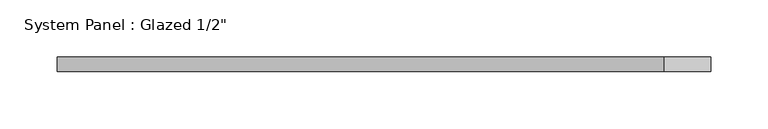
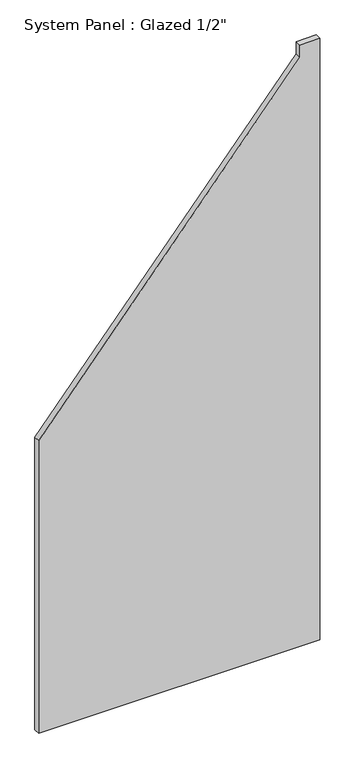
"""IFC4 building model written with IfcOpenShell, lengths in millimetres: plate geometry."""

from ifc_helpers import new_model, si_unit, frame, origin, place, context, project, spatial, polyline, outline, extrude, source, transform, mapped, element, save


def plate_8d527197(model_context):
    return source(origin(), model_context, "Body", "SweptSolid", [
        extrude(outline(polyline([(0.0, -285.3747799), (0.0, 285.3747799), (1290.1649297, 285.3747799), (1290.1649297, 244.5982133), (1263.8205992, 244.5982133), (626.872332, -285.3747799), (0.0, -285.3747799)])), frame((0.0, -6.35, 0.0), z_axis=(0.0, 1.0, 0.0), x_axis=(0.0, 0.0, 1.0)), (0.0, 0.0, 1.0), 12.7),
    ])


if __name__ == "__main__":
    model = new_model("IFC4")
    model_context = context("Model", 3, world=origin())
    ifc_project = project(units=[si_unit("LENGTHUNIT", "METRE", prefix="MILLI")], contexts=[model_context])
    site = spatial("IfcSite", under=ifc_project)
    building = spatial("IfcBuilding", under=site)
    placement = place(None, origin())
    plate_shape = plate_8d527197(model_context)
    element("IfcPlate", 1, ObjectType="System Panel : Glazed 1/2\"", at=placement, inside=building, context=model_context, shape_type="MappedRepresentation", body=[
        mapped(plate_shape, transform((0.0, 0.0, 0.0), x_axis=(1.0, 0.0, 0.0), y_axis=(0.0, 1.0, 0.0), z_axis=(0.0, 0.0, 1.0))),
    ])
    save(model, "model.ifc")
